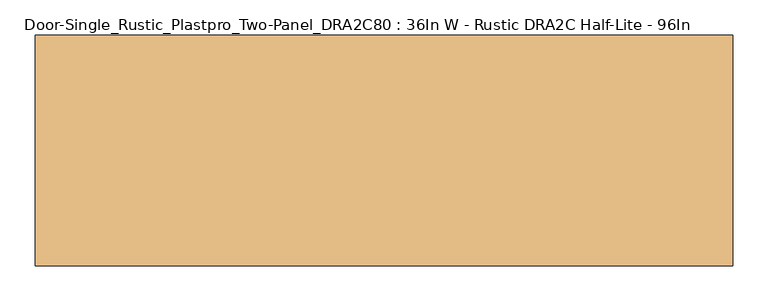
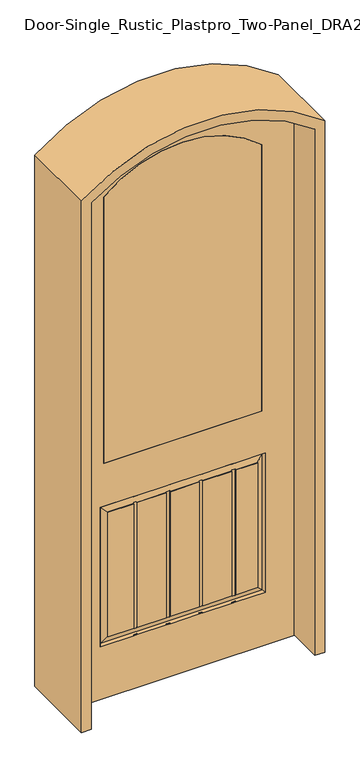
"""IFC4 building model written with IfcOpenShell, lengths in millimetres: door geometry, Door-Single_Rustic_Plastpro_Two-Panel_DRA2C80 : 36In W - Rustic DRA2C Half-Lite - 96In."""

from ifc_helpers import new_model, si_unit, point, frame, frame_2d, origin, place, context, project, spatial, polyline, circle_curve, trimmed, segment, composite_curve, outline, extrude, source, transform, mapped, element, save
from ifc_brep_helpers import plane_surface, cylinder_surface, revolved_surface, advanced_brep


def door_single_rustic_plastpro_two_panel_dra2c80_36in_w_rustic_3a8f5377(model_context):
    return source(origin(), model_context, "Body", "SolidModel", [
        advanced_brep(
        [(457.2, 20.6375, 0.0), (-457.2, 20.6375, 0.0), (-457.2, 20.6375, 2283.2420298), (457.2, 20.6375, 2283.2420298), (-323.85, 20.6375, 2174.32796), (-323.85, 20.6375, 1018.6937132), (323.85, 20.6375, 1018.6937132), (323.85, 20.6375, 2174.32796), (201.36158, 20.6375, 228.6), (216.6412675, 20.6375, 228.6), (338.1375, 20.6375, 228.6), (338.1375, 20.6375, 831.85), (216.6412675, 20.6375, 831.85), (201.36158, 20.6375, 831.85), (82.4002142, 20.6375, 831.85), (67.1205267, 20.6375, 831.85), (-51.8408392, 20.6375, 831.85), (-67.1205267, 20.6375, 831.85), (-186.0818925, 20.6375, 831.85), (-201.36158, 20.6375, 831.85), (-338.1375, 20.6375, 831.85), (-338.1375, 20.6375, 228.6), (-201.36158, 20.6375, 228.6), (-186.0818925, 20.6375, 228.6), (-67.1205267, 20.6375, 228.6), (-51.8408392, 20.6375, 228.6), (67.1205267, 20.6375, 228.6), (82.4002142, 20.6375, 228.6), (201.36158, 20.6375, 800.64283), (201.36158, 20.6375, 259.80717), (82.4002142, 20.6375, 259.80717), (82.4002142, 20.6375, 800.64283), (216.6412675, 20.6375, 259.80717), (216.6412675, 20.6375, 800.64283), (306.93033, 20.6375, 800.64283), (306.93033, 20.6375, 259.80717), (-67.1205267, 20.6375, 800.64283), (-67.1205267, 20.6375, 259.80717), (-186.0818925, 20.6375, 259.80717), (-186.0818925, 20.6375, 800.64283), (-51.8408392, 20.6375, 259.80717), (-51.8408392, 20.6375, 800.64283), (67.1205267, 20.6375, 800.64283), (67.1205267, 20.6375, 259.80717), (-201.36158, 20.6375, 800.64283), (-201.36158, 20.6375, 259.80717), (-306.93033, 20.6375, 259.80717), (-306.93033, 20.6375, 800.64283), (457.2, -20.6375, 0.0), (-457.2, -20.6375, 0.0), (-457.2, -20.6375, 2283.2420298), (457.2, -20.6375, 2283.2420298), (201.36158, 17.4625, 228.6), (216.6412675, 17.4625, 228.6), (216.6412675, 17.4625, 831.85), (201.36158, 17.4625, 831.85), (82.4002142, 17.4625, 831.85), (67.1205267, 17.4625, 831.85), (-51.8408392, 17.4625, 831.85), (-67.1205267, 17.4625, 831.85), (-67.1205267, 17.4625, 228.6), (-51.8408392, 17.4625, 228.6), (67.1205267, 17.4625, 228.6), (82.4002142, 17.4625, 228.6), (201.36158, 18.409586, 800.64283), (201.36158, 17.4625, 804.0708022), (201.36158, 17.4625, 256.3791978), (201.36158, 18.409586, 259.80717), (201.36158, 17.4625, 829.4574659), (201.36158, 17.4625, 230.9925341), (82.4002142, 18.409586, 259.80717), (82.4002142, 17.4625, 256.3791978), (82.4002142, 17.4625, 804.0708022), (82.4002142, 18.409586, 800.64283), (82.4002142, 17.4625, 230.9925341), (82.4002142, 17.4625, 829.4574659), (216.6412675, 18.409586, 259.80717), (216.6412675, 17.4625, 256.3791978), (216.6412675, 17.4625, 804.0708022), (216.6412675, 18.409586, 800.64283), (216.6412675, 17.4625, 230.9925341), (216.6412675, 17.4625, 829.4574659), (-67.1205267, 18.409586, 800.64283), (-67.1205267, 17.4625, 804.0708022), (-67.1205267, 17.4625, 256.3791978), (-67.1205267, 18.409586, 259.80717), (-67.1205267, 17.4625, 829.4574659), (-67.1205267, 17.4625, 230.9925341), (-51.8408392, 18.409586, 259.80717), (-51.8408392, 17.4625, 256.3791978), (-51.8408392, 17.4625, 804.0708022), (-51.8408392, 18.409586, 800.64283), (-51.8408392, 17.4625, 230.9925341), (-51.8408392, 17.4625, 829.4574659), (67.1205267, 18.409586, 800.64283), (67.1205267, 17.4625, 804.0708022), (67.1205267, 17.4625, 256.3791978), (67.1205267, 18.409586, 259.80717), (67.1205267, 17.4625, 829.4574659), (67.1205267, 17.4625, 230.9925341), (-323.85, -20.6375, 2174.32796), (-323.85, -20.6375, 1018.6937132), (323.85, -20.6375, 1018.6937132), (323.85, -20.6375, 2174.32796), (216.6412675, -20.6375, 228.6), (201.36158, -20.6375, 228.6), (82.4002142, -20.6375, 228.6), (67.1205267, -20.6375, 228.6), (-51.8408392, -20.6375, 228.6), (-67.1205267, -20.6375, 228.6), (-186.0818925, -20.6375, 228.6), (-201.36158, -20.6375, 228.6), (-338.1375, -20.6375, 228.6), (-338.1375, -20.6375, 831.85), (-201.36158, -20.6375, 831.85), (-186.0818925, -20.6375, 831.85), (-67.1205267, -20.6375, 831.85), (-51.8408392, -20.6375, 831.85), (67.1205267, -20.6375, 831.85), (82.4002142, -20.6375, 831.85), (201.36158, -20.6375, 831.85), (216.6412675, -20.6375, 831.85), (338.1375, -20.6375, 831.85), (338.1375, -20.6375, 228.6), (216.6412675, -20.6375, 800.64283), (216.6412675, -20.6375, 259.80717), (306.93033, -20.6375, 259.80717), (306.93033, -20.6375, 800.64283), (201.36158, -20.6375, 259.80717), (201.36158, -20.6375, 800.64283), (82.4002142, -20.6375, 800.64283), (82.4002142, -20.6375, 259.80717), (-51.8408392, -20.6375, 800.64283), (-51.8408392, -20.6375, 259.80717), (67.1205267, -20.6375, 259.80717), (67.1205267, -20.6375, 800.64283), (-67.1205267, -20.6375, 259.80717), (-67.1205267, -20.6375, 800.64283), (-186.0818925, -20.6375, 800.64283), (-186.0818925, -20.6375, 259.80717), (-201.36158, -20.6375, 259.80717), (-201.36158, -20.6375, 800.64283), (-306.93033, -20.6375, 800.64283), (-306.93033, -20.6375, 259.80717), (216.6412675, -17.4625, 228.6), (201.36158, -17.4625, 228.6), (331.3703916, -11.6572439, 235.3671084), (-331.3703916, -11.6572439, 235.3671084), (-201.36158, -17.4625, 230.9925341), (-186.0818925, -17.4625, 230.9925341), (-67.1205267, -17.4625, 230.9925341), (-51.8408392, -17.4625, 230.9925341), (67.1205267, -17.4625, 230.9925341), (82.4002142, -17.4625, 230.9925341), (201.36158, -17.4625, 230.9925341), (216.6412675, -17.4625, 230.9925341), (82.4002142, -17.4625, 228.6), (67.1205267, -17.4625, 228.6), (-51.8408392, -17.4625, 228.6), (-67.1205267, -17.4625, 228.6), (-331.3703916, -11.6572439, 825.0828916), (331.3703916, -11.6572439, 825.0828916), (216.6412675, -17.4625, 829.4574659), (201.36158, -17.4625, 829.4574659), (82.4002142, -17.4625, 829.4574659), (67.1205267, -17.4625, 829.4574659), (-51.8408392, -17.4625, 829.4574659), (-67.1205267, -17.4625, 829.4574659), (-186.0818925, -17.4625, 829.4574659), (-201.36158, -17.4625, 829.4574659), (-67.1205267, -17.4625, 831.85), (-51.8408392, -17.4625, 831.85), (67.1205267, -17.4625, 831.85), (82.4002142, -17.4625, 831.85), (201.36158, -17.4625, 831.85), (216.6412675, -17.4625, 831.85), (216.6412675, -18.409586, 800.64283), (216.6412675, -17.4625, 804.0708022), (216.6412675, -17.4625, 256.3791978), (216.6412675, -18.409586, 259.80717), (306.93033, -18.409586, 259.80717), (201.36158, -17.4625, 256.3791978), (201.36158, -18.409586, 259.80717), (82.4002142, -18.409586, 259.80717), (82.4002142, -17.4625, 256.3791978), (67.1205267, -17.4625, 256.3791978), (67.1205267, -18.409586, 259.80717), (-51.8408392, -18.409586, 259.80717), (-51.8408392, -17.4625, 256.3791978), (-67.1205267, -17.4625, 256.3791978), (-67.1205267, -18.409586, 259.80717), (-186.0818925, -18.409586, 259.80717), (-186.0818925, -17.4625, 256.3791978), (-201.36158, -17.4625, 256.3791978), (-201.36158, -18.409586, 259.80717), (-306.93033, -18.409586, 259.80717), (306.93033, -18.409586, 800.64283), (-306.93033, -18.409586, 800.64283), (-201.36158, -18.409586, 800.64283), (-201.36158, -17.4625, 804.0708022), (-186.0818925, -17.4625, 804.0708022), (-186.0818925, -18.409586, 800.64283), (-67.1205267, -18.409586, 800.64283), (-67.1205267, -17.4625, 804.0708022), (-51.8408392, -17.4625, 804.0708022), (-51.8408392, -18.409586, 800.64283), (67.1205267, -18.409586, 800.64283), (67.1205267, -17.4625, 804.0708022), (82.4002142, -17.4625, 804.0708022), (82.4002142, -18.409586, 800.64283), (201.36158, -18.409586, 800.64283), (201.36158, -17.4625, 804.0708022), (-331.3703916, 11.6572439, 235.3671084), (331.3703916, 11.6572439, 235.3671084), (-186.0818925, 17.4625, 230.9925341), (-201.36158, 17.4625, 230.9925341), (331.3703916, 11.6572439, 825.0828916), (-331.3703916, 11.6572439, 825.0828916), (-201.36158, 17.4625, 829.4574659), (-186.0818925, 17.4625, 829.4574659), (-186.0818925, 17.4625, 831.85), (-201.36158, 17.4625, 831.85), (-201.36158, 17.4625, 228.6), (-186.0818925, 17.4625, 228.6), (306.93033, 18.409586, 259.80717), (-186.0818925, 18.409586, 259.80717), (-306.93033, 18.409586, 259.80717), (-201.36158, 18.409586, 259.80717), (-306.93033, 18.409586, 800.64283), (-201.36158, 18.409586, 800.64283), (-186.0818925, 18.409586, 800.64283), (306.93033, 18.409586, 800.64283), (-186.0818925, 17.4625, 256.3791978), (-186.0818925, 17.4625, 804.0708022), (-201.36158, 17.4625, 804.0708022), (-201.36158, 17.4625, 256.3791978), (-186.0818925, -17.4625, 228.6), (-201.36158, -17.4625, 228.6), (-201.36158, -17.4625, 831.85), (-186.0818925, -17.4625, 831.85)],
        [
            (0, 1),
            (1, 2),
            (2, 3, circle_curve(frame((0.0, 20.6375, 1687.2112745), z_axis=(0.0, 1.0, 0.0), x_axis=(1.0, 0.0, 0.0)), 751.1887255)),
            (3, 0),
            (4, 5),
            (5, 6),
            (6, 7),
            (7, 4, circle_curve(frame((0.0, 20.6375, 1816.5236315), z_axis=(0.0, -1.0, 0.0), x_axis=(-1.0, 0.0, 0.0)), 482.6)),
            (8, 9),
            (9, 10),
            (10, 11),
            (11, 12),
            (12, 13),
            (13, 14),
            (14, 15),
            (15, 16),
            (16, 17),
            (17, 18),
            (18, 19),
            (19, 20),
            (20, 21),
            (21, 22),
            (22, 23),
            (23, 24),
            (24, 25),
            (25, 26),
            (26, 27),
            (27, 8),
            (28, 29),
            (29, 30),
            (30, 31),
            (31, 28),
            (32, 33),
            (33, 34),
            (34, 35),
            (35, 32),
            (36, 37),
            (37, 38),
            (38, 39),
            (39, 36),
            (40, 41),
            (41, 42),
            (42, 43),
            (43, 40),
            (44, 45),
            (45, 46),
            (46, 47),
            (47, 44),
            (0, 48),
            (48, 49),
            (49, 1),
            (49, 50),
            (50, 2),
            (3, 51),
            (51, 48),
            (8, 52),
            (52, 53),
            (53, 9),
            (12, 54),
            (54, 55),
            (55, 13),
            (14, 56),
            (56, 57),
            (57, 15),
            (16, 58),
            (58, 59),
            (59, 17),
            (24, 60),
            (60, 61),
            (61, 25),
            (26, 62),
            (62, 63),
            (63, 27),
            (28, 64),
            (64, 65),
            (65, 66),
            (66, 67),
            (67, 29),
            (55, 68),
            (68, 13),
            (8, 69),
            (69, 52),
            (30, 70),
            (70, 71),
            (71, 72),
            (72, 73),
            (73, 31),
            (63, 74),
            (74, 27),
            (14, 75),
            (75, 56),
            (32, 76),
            (76, 77),
            (77, 78),
            (78, 79),
            (79, 33),
            (53, 80),
            (80, 9),
            (12, 81),
            (81, 54),
            (36, 82),
            (82, 83),
            (83, 84),
            (84, 85),
            (85, 37),
            (59, 86),
            (86, 17),
            (24, 87),
            (87, 60),
            (40, 88),
            (88, 89),
            (89, 90),
            (90, 91),
            (91, 41),
            (61, 92),
            (92, 25),
            (16, 93),
            (93, 58),
            (42, 94),
            (94, 95),
            (95, 96),
            (96, 97),
            (97, 43),
            (57, 98),
            (98, 15),
            (26, 99),
            (99, 62),
            (4, 100),
            (100, 101),
            (101, 5),
            (101, 102),
            (102, 6),
            (103, 7),
            (102, 103),
            (51, 50, circle_curve(frame((0.0, -20.6375, 1687.2112745), z_axis=(0.0, -1.0, 0.0), x_axis=(1.0, 0.0, 0.0)), 751.1887255)),
            (100, 103, circle_curve(frame((0.0, -20.6375, 1816.5236315), z_axis=(0.0, 1.0, 0.0), x_axis=(-1.0, 0.0, 0.0)), 482.6)),
            (104, 105),
            (105, 106),
            (106, 107),
            (107, 108),
            (108, 109),
            (109, 110),
            (110, 111),
            (111, 112),
            (112, 113),
            (113, 114),
            (114, 115),
            (115, 116),
            (116, 117),
            (117, 118),
            (118, 119),
            (119, 120),
            (120, 121),
            (121, 122),
            (122, 123),
            (123, 104),
            (124, 125),
            (125, 126),
            (126, 127),
            (127, 124),
            (128, 129),
            (129, 130),
            (130, 131),
            (131, 128),
            (132, 133),
            (133, 134),
            (134, 135),
            (135, 132),
            (136, 137),
            (137, 138),
            (138, 139),
            (139, 136),
            (140, 141),
            (141, 142),
            (142, 143),
            (143, 140),
            (104, 144),
            (144, 145),
            (145, 105),
            (123, 146),
            (146, 147),
            (147, 112),
            (111, 148),
            (148, 149),
            (149, 110),
            (109, 150),
            (150, 151),
            (151, 108),
            (107, 152),
            (152, 153),
            (153, 106),
            (105, 154),
            (154, 155),
            (155, 104),
            (106, 156),
            (156, 157),
            (157, 107),
            (108, 158),
            (158, 159),
            (159, 109),
            (147, 160),
            (160, 113),
            (161, 122),
            (121, 162),
            (162, 163),
            (163, 120),
            (119, 164),
            (164, 165),
            (165, 118),
            (117, 166),
            (166, 167),
            (167, 116),
            (115, 168),
            (168, 169),
            (169, 114),
            (160, 161),
            (116, 170),
            (170, 171),
            (171, 117),
            (118, 172),
            (172, 173),
            (173, 119),
            (120, 174),
            (174, 175),
            (175, 121),
            (161, 146),
            (124, 176),
            (176, 177),
            (177, 178),
            (178, 179),
            (179, 125),
            (175, 162),
            (155, 144),
            (146, 180),
            (180, 179),
            (178, 181),
            (181, 182),
            (182, 183),
            (183, 184),
            (184, 185),
            (185, 186),
            (186, 187),
            (187, 188),
            (188, 189),
            (189, 190),
            (190, 191),
            (191, 192),
            (192, 193),
            (193, 194),
            (194, 195),
            (195, 147),
            (161, 196),
            (196, 180),
            (160, 197),
            (197, 198),
            (198, 199),
            (199, 200),
            (200, 201),
            (201, 202),
            (202, 203),
            (203, 204),
            (204, 205),
            (205, 206),
            (206, 207),
            (207, 208),
            (208, 209),
            (209, 210),
            (210, 211),
            (211, 177),
            (176, 196),
            (128, 182),
            (181, 211),
            (210, 129),
            (145, 154),
            (163, 174),
            (130, 209),
            (208, 184),
            (183, 131),
            (173, 164),
            (153, 156),
            (132, 205),
            (204, 188),
            (187, 133),
            (171, 166),
            (151, 158),
            (134, 186),
            (185, 207),
            (206, 135),
            (157, 152),
            (165, 172),
            (136, 190),
            (189, 203),
            (202, 137),
            (159, 150),
            (167, 170),
            (195, 197),
            (93, 86),
            (87, 92),
            (83, 90),
            (89, 84),
            (75, 98),
            (99, 74),
            (95, 72),
            (71, 96),
            (69, 80),
            (81, 68),
            (65, 78),
            (77, 66),
            (212, 213),
            (213, 10),
            (23, 214),
            (214, 215),
            (215, 22),
            (21, 212),
            (213, 216),
            (216, 11),
            (216, 217),
            (217, 20),
            (19, 218),
            (218, 219),
            (219, 18),
            (18, 220),
            (220, 221),
            (221, 19),
            (217, 212),
            (22, 222),
            (222, 223),
            (223, 23),
            (35, 224),
            (224, 76),
            (97, 88),
            (67, 70),
            (85, 225),
            (225, 38),
            (226, 46),
            (45, 227),
            (227, 226),
            (47, 228),
            (228, 229),
            (229, 44),
            (91, 94),
            (73, 64),
            (230, 82),
            (39, 230),
            (231, 34),
            (79, 231),
            (231, 224),
            (225, 232),
            (232, 233),
            (233, 230),
            (223, 214),
            (219, 220),
            (229, 234),
            (234, 235),
            (235, 227),
            (221, 218),
            (215, 222),
            (226, 228),
            (110, 236),
            (236, 237),
            (237, 111),
            (114, 238),
            (238, 239),
            (239, 115),
            (139, 191),
            (180, 126),
            (143, 195),
            (194, 140),
            (196, 127),
            (201, 138),
            (197, 142),
            (141, 198),
            (200, 192),
            (239, 168),
            (149, 236),
            (193, 199),
            (237, 148),
            (169, 238),
            (216, 231),
            (233, 234),
            (228, 217),
            (224, 213),
            (212, 226),
            (235, 232),
        ],
        [
            plane_surface(frame((0.0, 20.6375, 0.0), z_axis=(0.0, 1.0, 0.0), x_axis=(0.0, 0.0, 1.0))),
            plane_surface(frame((457.2, 20.6375, 0.0), z_axis=(0.0, 0.0, -1.0), x_axis=(0.0, -1.0, 0.0))),
            plane_surface(frame((-457.2, 20.6375, 0.0), z_axis=(-1.0, 0.0, 0.0), x_axis=(0.0, -1.0, 0.0))),
            plane_surface(frame((457.2, 20.6375, 2283.2420298), z_axis=(1.0, 0.0, 0.0), x_axis=(0.0, -1.0, 0.0))),
            plane_surface(frame((216.6412675, 20.6375, 228.6), z_axis=(0.0, 0.0, 1.0), x_axis=(0.0, -1.0, 0.0))),
            plane_surface(frame((201.36158, 20.6375, 831.85), z_axis=(0.0, 0.0, -1.0), x_axis=(0.0, -1.0, 0.0))),
            plane_surface(frame((67.1205267, 20.6375, 831.85), z_axis=(0.0, 0.0, -1.0), x_axis=(0.0, -1.0, 0.0))),
            plane_surface(frame((-67.1205267, 20.6375, 831.85), z_axis=(0.0, 0.0, -1.0), x_axis=(0.0, -1.0, 0.0))),
            plane_surface(frame((-51.8408392, 20.6375, 228.6), z_axis=(0.0, 0.0, 1.0), x_axis=(0.0, -1.0, 0.0))),
            plane_surface(frame((82.4002142, 20.6375, 228.6), z_axis=(0.0, 0.0, 1.0), x_axis=(0.0, -1.0, 0.0))),
            plane_surface(frame((201.36158, 20.6375, 228.6), z_axis=(1.0, 0.0, 0.0), x_axis=(0.0, -1.0, 0.0))),
            plane_surface(frame((82.4002142, 20.6375, 831.85), z_axis=(-1.0, 0.0, 0.0), x_axis=(0.0, -1.0, 0.0))),
            plane_surface(frame((216.6412675, 20.6375, 831.85), z_axis=(-1.0, 0.0, 0.0), x_axis=(0.0, -1.0, 0.0))),
            plane_surface(frame((-67.1205267, 20.6375, 228.6), z_axis=(1.0, 0.0, 0.0), x_axis=(0.0, -1.0, 0.0))),
            plane_surface(frame((-51.8408392, 20.6375, 831.85), z_axis=(-1.0, 0.0, 0.0), x_axis=(0.0, -1.0, 0.0))),
            plane_surface(frame((67.1205267, 20.6375, 228.6), z_axis=(1.0, 0.0, 0.0), x_axis=(0.0, -1.0, 0.0))),
            plane_surface(frame((-323.85, 20.6375, 1018.6937132), z_axis=(1.0, 0.0, 0.0), x_axis=(0.0, -1.0, 0.0))),
            plane_surface(frame((323.85, 20.6375, 1018.6937132), z_axis=(0.0, 0.0, 1.0), x_axis=(0.0, -1.0, 0.0))),
            plane_surface(frame((323.85, 20.6375, 2174.32796), z_axis=(-1.0, 0.0, 0.0), x_axis=(0.0, -1.0, 0.0))),
            plane_surface(frame((0.0, -20.6375, 0.0), z_axis=(0.0, -1.0, 0.0), x_axis=(0.0, 0.0, 1.0))),
            plane_surface(frame((201.36158, -20.6375, 228.6), z_axis=(0.0, 0.0, 1.0), x_axis=(0.0, 1.0, 0.0))),
            plane_surface(frame((-331.3703916, -11.6572439, 235.3671084), z_axis=(0.0, -0.6018150231499043, 0.7986355100489084), x_axis=(1.0, 0.0, 0.0))),
            plane_surface(frame((67.1205267, -20.6375, 228.6), z_axis=(0.0, 0.0, 1.0), x_axis=(0.0, 1.0, 0.0))),
            plane_surface(frame((-67.1205267, -20.6375, 228.6), z_axis=(0.0, 0.0, 1.0), x_axis=(0.0, 1.0, 0.0))),
            plane_surface(frame((-331.3703916, -11.6572439, 825.0828916), z_axis=(0.7986355100489084, -0.6018150231499043, 0.0), x_axis=(0.0, 0.0, -1.0))),
            plane_surface(frame((331.3703916, -11.6572439, 825.0828916), z_axis=(0.0, -0.6018150231499043, -0.7986355100489084), x_axis=(-1.0, 0.0, 0.0))),
            plane_surface(frame((-51.8408392, -20.6375, 831.85), z_axis=(0.0, 0.0, -1.0), x_axis=(0.0, 1.0, 0.0))),
            plane_surface(frame((82.4002142, -20.6375, 831.85), z_axis=(0.0, 0.0, -1.0), x_axis=(0.0, 1.0, 0.0))),
            plane_surface(frame((216.6412675, -20.6375, 831.85), z_axis=(0.0, 0.0, -1.0), x_axis=(0.0, 1.0, 0.0))),
            plane_surface(frame((331.3703916, -11.6572439, 235.3671084), z_axis=(-0.7986355100489084, -0.6018150231499043, 0.0), x_axis=(0.0, 0.0, 1.0))),
            plane_surface(frame((216.6412675, -20.6375, 228.6), z_axis=(-1.0, 0.0, 0.0), x_axis=(0.0, 1.0, 0.0))),
            plane_surface(frame((-306.93033, -18.409586, 259.80717), z_axis=(0.0, -0.9638888516060532, -0.2663048661770265), x_axis=(1.0, 0.0, 0.0))),
            plane_surface(frame((306.93033, -18.409586, 259.80717), z_axis=(0.2663048661770265, -0.9638888516060532, 0.0), x_axis=(0.0, 0.0, 1.0))),
            plane_surface(frame((306.93033, -18.409586, 800.64283), z_axis=(0.0, -0.9638888516060532, 0.2663048661770265), x_axis=(-1.0, 0.0, 0.0))),
            plane_surface(frame((201.36158, -20.6375, 831.85), z_axis=(1.0, 0.0, 0.0), x_axis=(0.0, 1.0, 0.0))),
            plane_surface(frame((82.4002142, -20.6375, 228.6), z_axis=(-1.0, 0.0, 0.0), x_axis=(0.0, 1.0, 0.0))),
            plane_surface(frame((-51.8408392, -20.6375, 228.6), z_axis=(-1.0, 0.0, 0.0), x_axis=(0.0, 1.0, 0.0))),
            plane_surface(frame((67.1205267, -20.6375, 831.85), z_axis=(1.0, 0.0, 0.0), x_axis=(0.0, 1.0, 0.0))),
            plane_surface(frame((-67.1205267, -20.6375, 831.85), z_axis=(1.0, 0.0, 0.0), x_axis=(0.0, 1.0, 0.0))),
            plane_surface(frame((-306.93033, -18.409586, 800.64283), z_axis=(-0.2663048661770265, -0.9638888516060532, 0.0), x_axis=(0.0, 0.0, -1.0))),
            plane_surface(frame((-51.8408392, -17.4625, 831.85), z_axis=(0.0, -1.0, 0.0), x_axis=(0.0, 0.0, -1.0))),
            plane_surface(frame((82.4002142, -17.4625, 831.85), z_axis=(0.0, -1.0, 0.0), x_axis=(0.0, 0.0, -1.0))),
            plane_surface(frame((216.6412675, -17.4625, 831.85), z_axis=(0.0, -1.0, 0.0), x_axis=(0.0, 0.0, -1.0))),
            plane_surface(frame((-67.1205267, 17.4625, 831.85), z_axis=(0.0, 1.0, 0.0), x_axis=(0.0, 0.0, -1.0))),
            plane_surface(frame((67.1205267, 17.4625, 831.85), z_axis=(0.0, 1.0, 0.0), x_axis=(0.0, 0.0, -1.0))),
            plane_surface(frame((201.36158, 17.4625, 831.85), z_axis=(0.0, 1.0, 0.0), x_axis=(0.0, 0.0, -1.0))),
            revolved_surface(polyline([(-482.6, 20.6375, 1816.5236315), (-482.6, -20.6375, 1816.5236315)]), (0.0, -20.6375, 1816.5236315), (0.0, 1.0, 0.0)),
            cylinder_surface(frame((0.0, 20.6375, 1687.2112745), z_axis=(0.0, 1.0, 0.0), x_axis=(1.0, 0.0, 0.0)), 751.1887255),
            plane_surface(frame((-338.1375, 20.6375, 228.6), z_axis=(0.0, 0.60181502315205, 0.7986355100472915), x_axis=(1.0, 0.0, 0.0))),
            plane_surface(frame((338.1375, 20.6375, 228.6), z_axis=(-0.7986355100472915, 0.60181502315205, 0.0), x_axis=(0.0, 0.0, 1.0))),
            plane_surface(frame((338.1375, 20.6375, 831.85), z_axis=(0.0, 0.60181502315205, -0.7986355100472915), x_axis=(-1.0, 0.0, 0.0))),
            plane_surface(frame((-201.36158, 20.6375, 831.85), z_axis=(0.0, 0.0, -1.0), x_axis=(0.0, -1.0, 0.0))),
            plane_surface(frame((-338.1375, 20.6375, 831.85), z_axis=(0.7986355100472915, 0.60181502315205, 0.0), x_axis=(0.0, 0.0, -1.0))),
            plane_surface(frame((-186.0818925, 20.6375, 228.6), z_axis=(0.0, 0.0, 1.0), x_axis=(0.0, -1.0, 0.0))),
            plane_surface(frame((-306.93033, 18.409586, 259.80717), z_axis=(0.0, 0.0, -1.0), x_axis=(1.0, 0.0, 0.0))),
            plane_surface(frame((306.93033, 18.409586, 800.64283), z_axis=(0.0, 0.0, 1.0), x_axis=(-1.0, 0.0, 0.0))),
            plane_surface(frame((306.93033, 18.409586, 259.80717), z_axis=(1.0, 0.0, 0.0), x_axis=(0.0, 0.0, 1.0))),
            plane_surface(frame((-186.0818925, 20.6375, 831.85), z_axis=(-1.0, 0.0, 0.0), x_axis=(0.0, -1.0, 0.0))),
            plane_surface(frame((-201.36158, 20.6375, 228.6), z_axis=(1.0, 0.0, 0.0), x_axis=(0.0, -1.0, 0.0))),
            plane_surface(frame((-306.93033, 18.409586, 800.64283), z_axis=(-1.0, 0.0, 0.0), x_axis=(0.0, 0.0, -1.0))),
            plane_surface(frame((-201.36158, -20.6375, 228.6), z_axis=(0.0, 0.0, 1.0), x_axis=(0.0, 1.0, 0.0))),
            plane_surface(frame((-186.0818925, -20.6375, 831.85), z_axis=(0.0, 0.0, -1.0), x_axis=(0.0, 1.0, 0.0))),
            plane_surface(frame((-306.93033, -20.6375, 259.80717), z_axis=(0.0, 0.0, -1.0), x_axis=(1.0, 0.0, 0.0))),
            plane_surface(frame((306.93033, -20.6375, 259.80717), z_axis=(1.0, 0.0, 0.0), x_axis=(0.0, 0.0, 1.0))),
            plane_surface(frame((306.93033, -20.6375, 800.64283), z_axis=(0.0, 0.0, 1.0), x_axis=(-1.0, 0.0, 0.0))),
            plane_surface(frame((-186.0818925, -20.6375, 228.6), z_axis=(-1.0, 0.0, 0.0), x_axis=(0.0, 1.0, 0.0))),
            plane_surface(frame((-201.36158, -20.6375, 831.85), z_axis=(1.0, 0.0, 0.0), x_axis=(0.0, 1.0, 0.0))),
            plane_surface(frame((-306.93033, -20.6375, 800.64283), z_axis=(-1.0, 0.0, 0.0), x_axis=(0.0, 0.0, -1.0))),
            plane_surface(frame((-186.0818925, -17.4625, 831.85), z_axis=(0.0, -1.0, 0.0), x_axis=(0.0, 0.0, -1.0))),
            plane_surface(frame((331.3703916, 11.6572439, 825.0828916), z_axis=(0.0, 0.9638888516060532, 0.26630486617702664), x_axis=(-1.0, 0.0, 0.0))),
            plane_surface(frame((-331.3703916, 11.6572439, 235.3671084), z_axis=(0.0, 0.9638888516060532, -0.26630486617702664), x_axis=(1.0, 0.0, 0.0))),
            plane_surface(frame((331.3703916, 11.6572439, 235.3671084), z_axis=(0.26630486617702664, 0.9638888516060532, 0.0), x_axis=(0.0, 0.0, 1.0))),
            plane_surface(frame((-331.3703916, 11.6572439, 825.0828916), z_axis=(-0.26630486617702664, 0.9638888516060532, 0.0), x_axis=(0.0, 0.0, -1.0))),
            plane_surface(frame((-201.36158, 17.4625, 831.85), z_axis=(0.0, 1.0, 0.0), x_axis=(0.0, 0.0, -1.0))),
        ],
        [
            (0, [[1, 2, 3, 4], [5, 6, 7, 8], [9, 10, 11, 12, 13, 14, 15, 16, 17, 18, 19, 20, 21, 22, 23, 24, 25, 26, 27, 28]]),
            (0, [[29, 30, 31, 32]]),
            (0, [[33, 34, 35, 36]]),
            (0, [[37, 38, 39, 40]]),
            (0, [[41, 42, 43, 44]]),
            (0, [[45, 46, 47, 48]]),
            (1, [[-1, 49, 50, 51]]),
            (2, [[-2, -51, 52, 53]]),
            (3, [[-4, 54, 55, -49]]),
            (4, [[-9, 56, 57, 58]]),
            (5, [[-13, 59, 60, 61]]),
            (6, [[-15, 62, 63, 64]]),
            (7, [[-17, 65, 66, 67]]),
            (8, [[-25, 68, 69, 70]]),
            (9, [[-27, 71, 72, 73]]),
            (10, [[-29, 74, 75, 76, 77, 78]]),
            (10, [[-61, 79, 80]]),
            (10, [[-56, 81, 82]]),
            (11, [[-31, 83, 84, 85, 86, 87]]),
            (11, [[-73, 88, 89]]),
            (11, [[-62, 90, 91]]),
            (12, [[-33, 92, 93, 94, 95, 96]]),
            (12, [[-58, 97, 98]]),
            (12, [[-59, 99, 100]]),
            (13, [[-37, 101, 102, 103, 104, 105]]),
            (13, [[-67, 106, 107]]),
            (13, [[-68, 108, 109]]),
            (14, [[-41, 110, 111, 112, 113, 114]]),
            (14, [[-70, 115, 116]]),
            (14, [[-65, 117, 118]]),
            (15, [[-43, 119, 120, 121, 122, 123]]),
            (15, [[-64, 124, 125]]),
            (15, [[-71, 126, 127]]),
            (16, [[128, 129, 130, -5]]),
            (17, [[-130, 131, 132, -6]]),
            (18, [[133, -7, -132, 134]]),
            (19, [[-50, -55, 135, -52], [-129, 136, -134, -131], [137, 138, 139, 140, 141, 142, 143, 144, 145, 146, 147, 148, 149, 150, 151, 152, 153, 154, 155, 156]]),
            (19, [[157, 158, 159, 160]]),
            (19, [[161, 162, 163, 164]]),
            (19, [[165, 166, 167, 168]]),
            (19, [[169, 170, 171, 172]]),
            (19, [[173, 174, 175, 176]]),
            (20, [[-137, 177, 178, 179]]),
            (21, [[180, 181, 182, -144, 183, 184, 185, -142, 186, 187, 188, -140, 189, 190, 191, -138, 192, 193, 194, -156]]),
            (22, [[-139, 195, 196, 197]]),
            (23, [[-141, 198, 199, 200]]),
            (24, [[-182, 201, 202, -145]]),
            (25, [[203, -154, 204, 205, 206, -152, 207, 208, 209, -150, 210, 211, 212, -148, 213, 214, 215, -146, -202, 216]]),
            (26, [[-149, 217, 218, 219]]),
            (27, [[-151, 220, 221, 222]]),
            (28, [[-153, 223, 224, 225]]),
            (29, [[-180, -155, -203, 226]]),
            (30, [[-157, 227, 228, 229, 230, 231]]),
            (30, [[-225, 232, -204]]),
            (30, [[-177, -194, 233]]),
            (31, [[-181, 234, 235, -230, 236, 237, 238, 239, 240, 241, 242, 243, 244, 245, 246, 247, 248, 249, 250, 251]]),
            (32, [[-234, -226, 252, 253]]),
            (33, [[-252, -216, 254, 255, 256, 257, 258, 259, 260, 261, 262, 263, 264, 265, 266, 267, 268, 269, -228, 270]]),
            (34, [[-161, 271, -237, 272, -268, 273]]),
            (34, [[-179, 274, -192]]),
            (34, [[-223, -206, 275]]),
            (35, [[-163, 276, -266, 277, -239, 278]]),
            (35, [[-222, 279, -207]]),
            (35, [[-195, -191, 280]]),
            (36, [[-165, 281, -262, 282, -243, 283]]),
            (36, [[-219, 284, -210]]),
            (36, [[-198, -188, 285]]),
            (37, [[-167, 286, -241, 287, -264, 288]]),
            (37, [[-197, 289, -189]]),
            (37, [[-220, -209, 290]]),
            (38, [[-169, 291, -245, 292, -260, 293]]),
            (38, [[-200, 294, -186]]),
            (38, [[-217, -212, 295]]),
            (39, [[-251, 296, -254, -201]]),
            (40, [[-199, -285, -187, -294]]),
            (40, [[-218, -295, -211, -284]]),
            (40, [[-282, -261, -292, -244]]),
            (41, [[-196, -280, -190, -289]]),
            (41, [[-221, -290, -208, -279]]),
            (41, [[-277, -265, -287, -240]]),
            (42, [[-178, -233, -193, -274]]),
            (42, [[-224, -275, -205, -232]]),
            (42, [[-229, -269, -272, -236]]),
            (43, [[-66, -118, 297, -106]]),
            (43, [[-69, -109, 298, -115]]),
            (43, [[-103, 299, -112, 300]]),
            (44, [[-63, -91, 301, -124]]),
            (44, [[-72, -127, 302, -88]]),
            (44, [[-121, 303, -85, 304]]),
            (45, [[-57, -82, 305, -97]]),
            (45, [[-60, -100, 306, -79]]),
            (45, [[-76, 307, -94, 308]]),
            (46, [[-128, -8, -133, -136]]),
            (47, [[-3, -53, -135, -54]]),
            (48, [[309, 310, -10, -98, -305, -81, -28, -89, -302, -126, -26, -116, -298, -108, -24, 311, 312, 313, -22, 314]]),
            (49, [[-310, 315, 316, -11]]),
            (50, [[-316, 317, 318, -20, 319, 320, 321, -18, -107, -297, -117, -16, -125, -301, -90, -14, -80, -306, -99, -12]]),
            (51, [[-19, 322, 323, 324]]),
            (52, [[-314, -21, -318, 325]]),
            (53, [[-23, 326, 327, 328]]),
            (54, [[329, 330, -92, -36]]),
            (54, [[331, -110, -44, -123]]),
            (54, [[332, -83, -30, -78]]),
            (54, [[333, 334, -38, -105]]),
            (54, [[335, -46, 336, 337]]),
            (55, [[338, 339, 340, -48]]),
            (55, [[341, -119, -42, -114]]),
            (55, [[342, -74, -32, -87]]),
            (55, [[343, -101, -40, 344]]),
            (55, [[345, -34, -96, 346]]),
            (56, [[-329, -35, -345, 347]]),
            (57, [[-39, -334, 348, 349, 350, -344]]),
            (57, [[-328, 351, -311]]),
            (57, [[-322, -321, 352]]),
            (58, [[-45, -340, 353, 354, 355, -336]]),
            (58, [[-324, 356, -319]]),
            (58, [[-326, -313, 357]]),
            (59, [[-335, 358, -338, -47]]),
            (60, [[-143, 359, 360, 361]]),
            (61, [[-147, 362, 363, 364]]),
            (62, [[-238, -271, -164, -278]]),
            (62, [[-242, -286, -166, -283]]),
            (62, [[-246, -291, -172, 365]]),
            (62, [[366, -158, -231, -235]]),
            (62, [[367, -250, 368, -176]]),
            (63, [[-253, 369, -159, -366]]),
            (64, [[-259, 370, -170, -293]]),
            (64, [[-263, -281, -168, -288]]),
            (64, [[-267, -276, -162, -273]]),
            (64, [[-369, -270, -227, -160]]),
            (64, [[371, -174, 372, -255]]),
            (65, [[-171, -370, -258, 373, -247, -365]]),
            (65, [[-364, 374, -213]]),
            (65, [[-359, -185, 375]]),
            (66, [[-173, -368, -249, 376, -256, -372]]),
            (66, [[-361, 377, -183]]),
            (66, [[-362, -215, 378]]),
            (67, [[-296, -367, -175, -371]]),
            (68, [[-360, -375, -184, -377]]),
            (68, [[-363, -378, -214, -374]]),
            (68, [[-373, -257, -376, -248]]),
            (69, [[379, -346, -95, -307, -75, -342, -86, -303, -120, -341, -113, -299, -102, -343, -350, 380, -353, -339, 381, -317]]),
            (70, [[382, -309, 383, -337, -355, 384, -348, -333, -104, -300, -111, -331, -122, -304, -84, -332, -77, -308, -93, -330]]),
            (71, [[-382, -347, -379, -315]]),
            (72, [[-383, -325, -381, -358]]),
            (73, [[-323, -352, -320, -356]]),
            (73, [[-327, -357, -312, -351]]),
            (73, [[-354, -380, -349, -384]]),
        ],
    ),
        extrude(outline(composite_curve([segment(polyline([(2174.32796, -323.85), (1018.6937132, -323.85), (1018.6937132, 323.85), (2174.32796, 323.85)]), True, "CONTINUOUS"), segment(trimmed(circle_curve(frame_2d((1816.5236315, 0.0)), 482.6), [point((2174.32796, 323.85))], [point((2174.32796, -323.85))], False, "CARTESIAN"), True, "CONTINUOUS")], self_intersect=False)), frame((0.0, -20.6375, 0.0), z_axis=(0.0, 1.0, 0.0), x_axis=(0.0, 0.0, 1.0)), (0.0, 0.0, 1.0), 41.275),
        extrude(outline(composite_curve([segment(polyline([(0.0, 457.2), (0.0, 498.475), (2304.0781948, 498.475)]), True, "CONTINUOUS"), segment(trimmed(circle_curve(frame_2d((1687.35083, 0.0)), 792.988), [point((2304.0781948, 498.475))], [point((2304.0781948, -498.475))], False, "CARTESIAN"), True, "CONTINUOUS"), segment(polyline([(2304.0781948, -498.475), (0.0, -498.475), (0.0, -457.2), (2283.2420298, -457.2)]), True, "CONTINUOUS"), segment(trimmed(circle_curve(frame_2d((1687.35083, 0.0)), 751.078), [point((2283.2420298, -457.2))], [point((2283.2420298, 457.2))], True, "CARTESIAN"), True, "CONTINUOUS"), segment(polyline([(2283.2420298, 457.2), (0.0, 457.2)]), True, "CONTINUOUS")], self_intersect=False)), frame((0.0, -165.1, 0.0), z_axis=(0.0, 1.0, 0.0), x_axis=(0.0, 0.0, 1.0)), (0.0, 0.0, 1.0), 330.2),
    ])


if __name__ == "__main__":
    model = new_model("IFC4")
    model_context = context("Model", 3, world=origin())
    ifc_project = project(units=[si_unit("LENGTHUNIT", "METRE", prefix="MILLI")], contexts=[model_context])
    site = spatial("IfcSite", under=ifc_project)
    building = spatial("IfcBuilding", under=site)
    placement = place(None, origin())
    door_single_rustic_plastpro_two_panel_dra2c80_36in_w_rustic_shape = door_single_rustic_plastpro_two_panel_dra2c80_36in_w_rustic_3a8f5377(model_context)
    element("IfcDoor", 1, ObjectType="Door-Single_Rustic_Plastpro_Two-Panel_DRA2C80 : 36In W - Rustic DRA2C Half-Lite - 96In", at=placement, inside=building, context=model_context, shape_type="MappedRepresentation", body=[
        mapped(door_single_rustic_plastpro_two_panel_dra2c80_36in_w_rustic_shape, transform((0.0, 0.0, 0.0), x_axis=(1.0, 0.0, 0.0), y_axis=(0.0, 1.0, 0.0), z_axis=(0.0, 0.0, 1.0))),
    ])
    save(model, "model.ifc")
